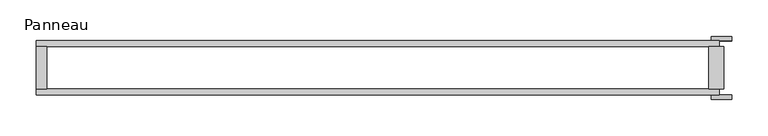
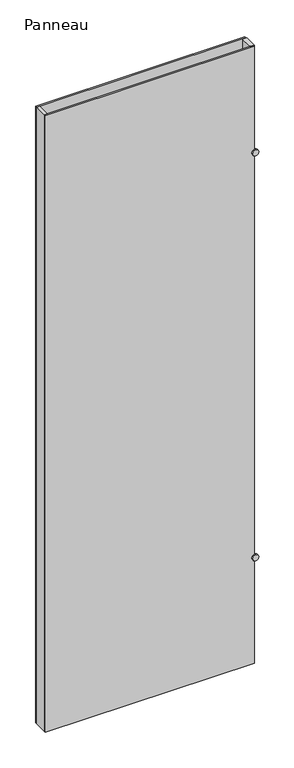
"""IFC4 building model written with IfcOpenShell, lengths in millimetres: plate geometry, Panneau."""

from ifc_helpers import new_model, si_unit, point, frame, frame_2d, origin, origin_with_axes, place, context, project, spatial, polyline, circle_curve, trimmed, segment, composite_curve, outline, extrude, source, transform, mapped, element, save


def panneau_009e23a0(model_context):
    return source(origin(), model_context, "Body", "SweptSolid", [
        extrude(outline(composite_curve([segment(trimmed(circle_curve(frame_2d((500.0, 468.0853579)), 14.0), [point((500.0, 454.0853579))], [point((500.0, 482.0853579))], False, "CARTESIAN"), True, "CONTINUOUS"), segment(trimmed(circle_curve(frame_2d((500.0, 468.0853579)), 14.0), [point((500.0, 482.0853579))], [point((500.0, 454.0853579))], False, "CARTESIAN"), True, "CONTINUOUS")], self_intersect=False)), frame((0.0, 37.2, 0.0), z_axis=(0.0, 1.0, 0.0), x_axis=(0.0, 0.0, 1.0)), (0.0, 0.0, 1.0), 6.0),
        extrude(outline(composite_curve([segment(trimmed(circle_curve(frame_2d((2415.0, 468.0853579)), 14.0), [point((2415.0, 454.0853579))], [point((2415.0, 482.0853579))], False, "CARTESIAN"), True, "CONTINUOUS"), segment(trimmed(circle_curve(frame_2d((2415.0, 468.0853579)), 14.0), [point((2415.0, 482.0853579))], [point((2415.0, 454.0853579))], False, "CARTESIAN"), True, "CONTINUOUS")], self_intersect=False)), frame((0.0, 37.2, 0.0), z_axis=(0.0, 1.0, 0.0), x_axis=(0.0, 0.0, 1.0)), (0.0, 0.0, 1.0), 6.0),
        extrude(outline(composite_curve([segment(trimmed(circle_curve(frame_2d((2415.0, 468.0853579)), 14.0), [point((2415.0, 454.0853579))], [point((2415.0, 482.0853579))], False, "CARTESIAN"), True, "CONTINUOUS"), segment(trimmed(circle_curve(frame_2d((2415.0, 468.0853579)), 14.0), [point((2415.0, 482.0853579))], [point((2415.0, 454.0853579))], False, "CARTESIAN"), True, "CONTINUOUS")], self_intersect=False)), frame((0.0, -43.2, 0.0), z_axis=(0.0, 1.0, 0.0), x_axis=(0.0, 0.0, 1.0)), (0.0, 0.0, 1.0), 6.0),
        extrude(outline(composite_curve([segment(trimmed(circle_curve(frame_2d((500.0, 468.0853579)), 14.0), [point((500.0, 454.0853579))], [point((500.0, 482.0853579))], False, "CARTESIAN"), True, "CONTINUOUS"), segment(trimmed(circle_curve(frame_2d((500.0, 468.0853579)), 14.0), [point((500.0, 482.0853579))], [point((500.0, 454.0853579))], False, "CARTESIAN"), True, "CONTINUOUS")], self_intersect=False)), frame((0.0, -43.2, 0.0), z_axis=(0.0, 1.0, 0.0), x_axis=(0.0, 0.0, 1.0)), (0.0, 0.0, 1.0), 6.0),
        extrude(outline(polyline([(-457.0853579, 29.2), (-457.0853579, -29.2), (-471.0853579, -29.2), (-471.0853579, 29.2), (-457.0853579, 29.2)])), origin_with_axes(), (0.0, 0.0, 1.0), 2915.0),
        extrude(outline(polyline([(471.0853579, 29.2), (471.0853579, -29.2), (451.0853579, -29.2), (451.0853579, 29.2), (471.0853579, 29.2)])), origin_with_axes(), (0.0, 0.0, 1.0), 2915.0),
        extrude(outline(polyline([(465.0853579, 29.2), (-471.0853579, 29.2), (-471.0853579, 37.2), (465.0853579, 37.2), (465.0853579, 29.2)])), origin_with_axes(), (0.0, 0.0, 1.0), 2915.0),
        extrude(outline(polyline([(-471.0853579, -37.2), (-471.0853579, -29.2), (465.0853579, -29.2), (465.0853579, -37.2), (-471.0853579, -37.2)])), origin_with_axes(), (0.0, 0.0, 1.0), 2915.0),
    ])


if __name__ == "__main__":
    model = new_model("IFC4")
    model_context = context("Model", 3, world=origin())
    ifc_project = project(units=[si_unit("LENGTHUNIT", "METRE", prefix="MILLI")], contexts=[model_context])
    site = spatial("IfcSite", under=ifc_project)
    building = spatial("IfcBuilding", under=site)
    placement = place(None, origin())
    panneau_shape = panneau_009e23a0(model_context)
    element("IfcPlate", 1, ObjectType="Panneau", at=placement, inside=building, context=model_context, shape_type="MappedRepresentation", body=[
        mapped(panneau_shape, transform((0.0, 0.0, 0.0), x_axis=(1.0, 0.0, 0.0), y_axis=(0.0, 1.0, 0.0), z_axis=(0.0, 0.0, 1.0))),
    ])
    save(model, "model.ifc")
